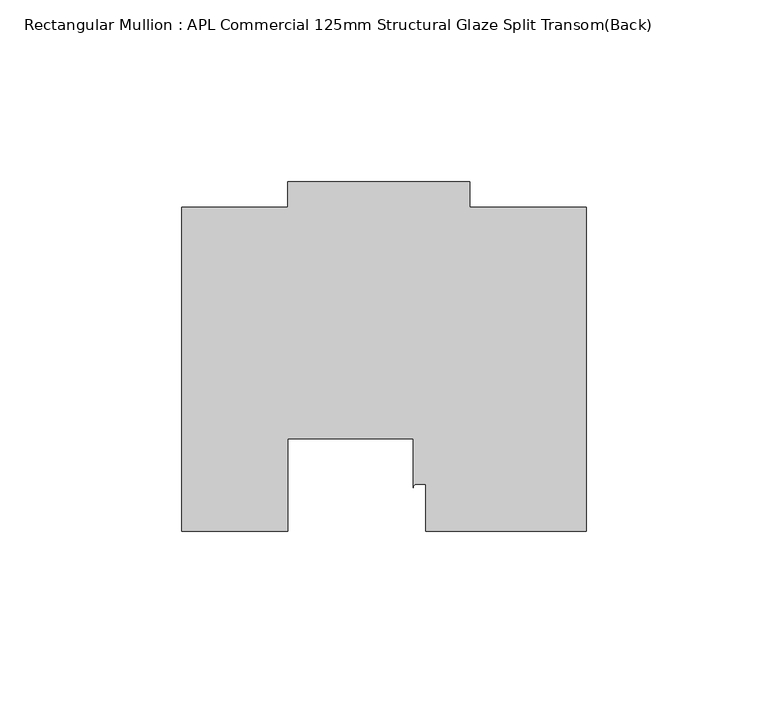
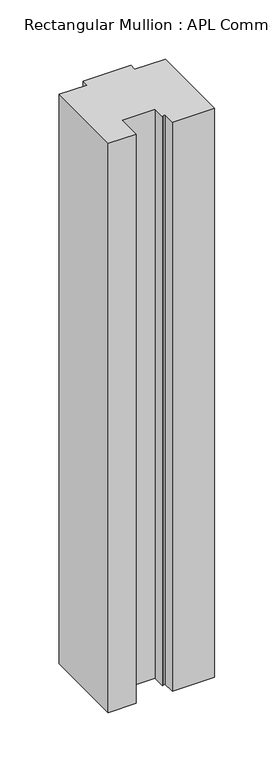
"""IFC4 building model written with IfcOpenShell, lengths in millimetres: member geometry, Rectangular Mullion : APL Commercial 125mm Structural Glaze Split Transom(Back)."""

from ifc_helpers import new_model, si_unit, point, frame, frame_2d, origin, place, context, project, spatial, polyline, circle_curve, trimmed, segment, composite_curve, outline, extrude, source, transform, mapped, element, save


def rectangular_mullion_apl_commercial_125mm_structural_glaze_1bebe5b6(model_context):
    return source(origin(), model_context, "Body", "SweptSolid", [
        extrude(outline(composite_curve([segment(polyline([(54.0000029, 15.0004617), (10.0000029, 15.0004617), (10.0000029, 28.0002131), (7.5000029, 28.0002131)]), True, "CONTINUOUS"), segment(trimmed(circle_curve(frame_2d((7.5000029, 27.0002131)), 1.0), [point((7.5000029, 28.0002131))], [point((6.5000029, 27.0002131))], True, "CARTESIAN"), True, "CONTINUOUS"), segment(polyline([(6.5000029, 27.0002131), (6.5000029, 40.499932), (-28.0000482, 40.499932), (-28.0000482, 15.0001793), (-57.0000004, 15.0001793), (-57.0000004, 103.9999439), (-27.9971154, 103.9999439), (-27.9971154, 111.0), (22.0028846, 111.0), (22.0028846, 104.0), (54.0000029, 104.0), (54.0000029, 15.0004617)]), True, "CONTINUOUS")], self_intersect=False)), frame((0.0, 0.0, -628.0250341), z_axis=(0.0, 0.0, 1.0), x_axis=(1.0, 0.0, 0.0)), (0.0, 0.0, 1.0), 628.0250341),
    ])


if __name__ == "__main__":
    model = new_model("IFC4")
    model_context = context("Model", 3, world=origin())
    ifc_project = project(units=[si_unit("LENGTHUNIT", "METRE", prefix="MILLI")], contexts=[model_context])
    site = spatial("IfcSite", under=ifc_project)
    building = spatial("IfcBuilding", under=site)
    placement = place(None, origin())
    rectangular_mullion_apl_commercial_125mm_structural_glaze_shape = rectangular_mullion_apl_commercial_125mm_structural_glaze_1bebe5b6(model_context)
    element("IfcMember", 1, ObjectType="Rectangular Mullion : APL Commercial 125mm Structural Glaze Split Transom(Back)", at=placement, inside=building, context=model_context, shape_type="MappedRepresentation", body=[
        mapped(rectangular_mullion_apl_commercial_125mm_structural_glaze_shape, transform((0.0, 0.0, 0.0), x_axis=(1.0, 0.0, 0.0), y_axis=(0.0, 1.0, 0.0), z_axis=(0.0, 0.0, 1.0))),
    ])
    save(model, "model.ifc")
